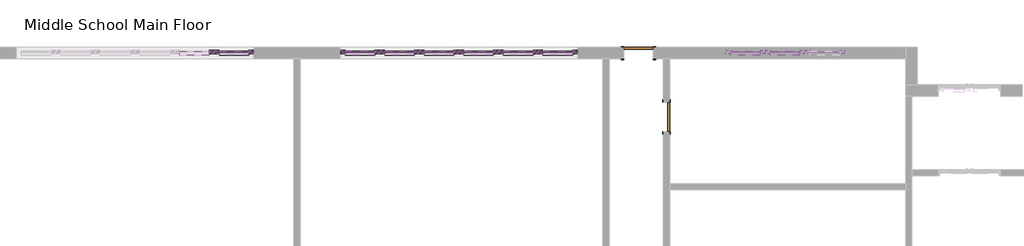
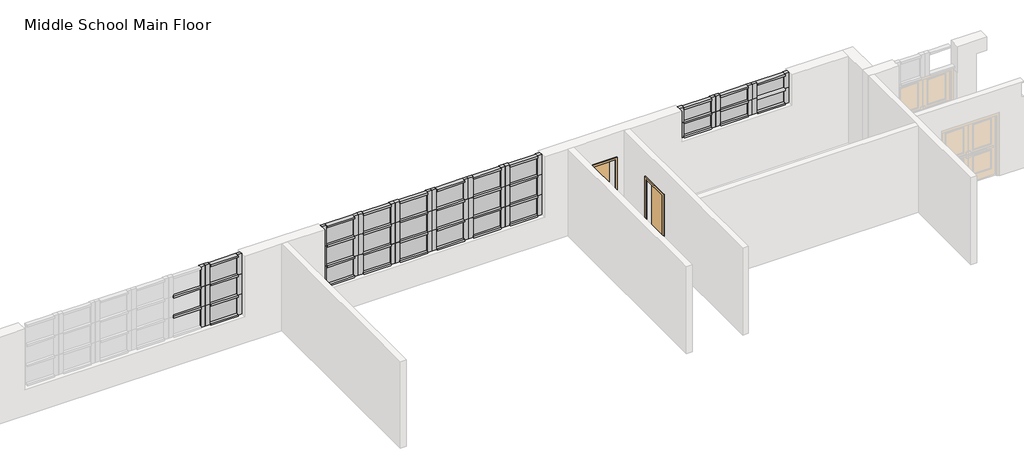
# One storey, part 9 of 16: 95 members, 27 plates, 2 doors.
"""IFC4 building model written with IfcOpenShell, lengths in millimetres."""

import ifcopenshell
import ifcopenshell.guid

model = None  # the IFC model being written
_history = None  # IfcOwnerHistory: only IFC2X3 demands one
_inside = {}  # id of a spatial element -> (the spatial element, [elements in it])
_under = {}  # id of a project, library or spatial element -> (it, [spatial elements below it])
_declared = {}  # id of a project -> (the project, [libraries it declares])
_typed = {}  # id of a type object -> (the type object, [elements of that type])
_made_of = {}  # id of a material, layer set ... -> (it, [elements and type objects made of it])


def new_model(schema):
    """Start an empty IFC model of exactly this schema.

    Asked for "IFC4X3", IfcOpenShell would pick the latest addendum, in which some entities
    have other attributes; the version numbers below select the first issue.
    IFC2X3 requires an IfcOwnerHistory on every rooted entity: one is made here for all.
    """
    global model, _history
    if schema == "IFC4X3":
        model = ifcopenshell.file(schema_version=(4, 3, 0, 0))
    else:
        model = ifcopenshell.file(schema=schema)
    _inside.clear()
    _under.clear()
    _declared.clear()
    _typed.clear()
    _made_of.clear()
    _history = None
    if model.schema == "IFC2X3":
        org = make("IfcOrganization", Name="unknown")
        user = make(
            "IfcPersonAndOrganization",
            ThePerson=make("IfcPerson", FamilyName="unknown"),
            TheOrganization=org,
        )
        app = make(
            "IfcApplication",
            ApplicationDeveloper=org,
            Version="unknown",
            ApplicationFullName="unknown",
            ApplicationIdentifier="unknown",
        )
        _history = make(
            "IfcOwnerHistory",
            OwningUser=user,
            OwningApplication=app,
            ChangeAction="ADDED",
            CreationDate=0,
        )
    return model


def make(cls, **values):
    """One entity of the class cls with the attributes given. An attribute that is None is left unset."""
    return model.create_entity(
        cls, **{name: value for name, value in values.items() if value is not None}
    )


def rooted(cls, **values):
    """An entity with a GlobalId (a new one), such as an element, a storey or a relation."""
    return make(cls, GlobalId=ifcopenshell.guid.new(), OwnerHistory=_history, **values)


def si_unit(unit_type, name, prefix=None):
    """IfcSIUnit, for example si_unit("LENGTHUNIT", "METRE", prefix="MILLI")."""
    return make("IfcSIUnit", UnitType=unit_type, Prefix=prefix, Name=name)


def assignment(units):
    """IfcUnitAssignment: the units of a project."""
    return None if units is None else make("IfcUnitAssignment", Units=units)


def point(xyz):
    """IfcCartesianPoint."""
    return None if xyz is None else make("IfcCartesianPoint", Coordinates=xyz)


def direction(xyz):
    """IfcDirection."""
    return None if xyz is None else make("IfcDirection", DirectionRatios=xyz)


def frame(location, z_axis=None, x_axis=None):
    """IfcAxis2Placement3D, a coordinate frame: its origin and axes. An axis left out is left unset."""
    return make(
        "IfcAxis2Placement3D",
        Location=point(location),
        Axis=direction(z_axis),
        RefDirection=direction(x_axis),
    )


def origin():
    """The frame at (0, 0, 0) with its axes left unset."""
    return frame((0.0, 0.0, 0.0))


def origin_with_axes():
    """The frame at (0, 0, 0) with the z axis (0, 0, 1) and the x axis (1, 0, 0) written out."""
    return frame((0.0, 0.0, 0.0), z_axis=(0.0, 0.0, 1.0), x_axis=(1.0, 0.0, 0.0))


def place(relative_to, where):
    """IfcLocalPlacement: puts the frame where relative to a parent placement (None: the world)."""
    return make(
        "IfcLocalPlacement", PlacementRelTo=relative_to, RelativePlacement=where
    )


def context(
    kind, dimensions, precision=None, world=None, true_north=None, identifier=None
):
    """IfcGeometricRepresentationContext, for example the 3D "Model" context."""
    return make(
        "IfcGeometricRepresentationContext",
        ContextIdentifier=identifier,
        ContextType=kind,
        CoordinateSpaceDimension=dimensions,
        Precision=precision,
        WorldCoordinateSystem=world,
        TrueNorth=true_north,
    )


def project(units=None, contexts=None):
    """IfcProject with its units and contexts."""
    return rooted(
        "IfcProject",
        Name="project",
        RepresentationContexts=contexts,
        UnitsInContext=assignment(units),
    )


def spatial(cls, under=None, at=None, **own):
    """A site, building, storey or space (cls), placed at a placement, below another one or the project."""
    s = rooted(cls, ObjectPlacement=at, **own)
    if under is not None:
        _under.setdefault(under.id(), (under, []))[1].append(s)
    return s


def polyline(points):
    """IfcPolyline through the points."""
    return make("IfcPolyline", Points=[point(p) for p in points])


def outline(outer, holes=None, kind="AREA"):
    """IfcArbitraryClosedProfileDef: a profile drawn as a closed curve; with holes, ...WithVoids."""
    if holes is None:
        return make("IfcArbitraryClosedProfileDef", ProfileType=kind, OuterCurve=outer)
    return make(
        "IfcArbitraryProfileDefWithVoids",
        ProfileType=kind,
        OuterCurve=outer,
        InnerCurves=holes,
    )


def extrude(swept, where, along, depth):
    """IfcExtrudedAreaSolid: the profile swept, set in the frame where, extruded along a direction by depth."""
    return make(
        "IfcExtrudedAreaSolid",
        SweptArea=swept,
        Position=where,
        ExtrudedDirection=direction(along),
        Depth=depth,
    )


def shape(context_of_items, identifier, shape_type, items):
    """IfcShapeRepresentation: the items that make up one representation, for example the "Body"."""
    return make(
        "IfcShapeRepresentation",
        ContextOfItems=context_of_items,
        RepresentationIdentifier=identifier,
        RepresentationType=shape_type,
        Items=items,
    )


def source(mapping_origin, context_of_items, identifier, shape_type, items):
    """IfcRepresentationMap: a shape defined once, which mapped items show again and again."""
    return make(
        "IfcRepresentationMap",
        MappingOrigin=mapping_origin,
        MappedRepresentation=shape(context_of_items, identifier, shape_type, items),
    )


def transform(
    local_origin,
    x_axis=None,
    y_axis=None,
    z_axis=None,
    scale=None,
    scale2=None,
    scale3=None,
    uniform=True,
):
    """IfcCartesianTransformationOperator3D, or its non-uniform kind. x_axis, y_axis, z_axis: its Axis1, 2, 3."""
    if uniform:
        return make(
            "IfcCartesianTransformationOperator3D",
            Axis1=direction(x_axis),
            Axis2=direction(y_axis),
            LocalOrigin=point(local_origin),
            Scale=scale,
            Axis3=direction(z_axis),
        )
    return make(
        "IfcCartesianTransformationOperator3DnonUniform",
        Axis1=direction(x_axis),
        Axis2=direction(y_axis),
        LocalOrigin=point(local_origin),
        Scale=scale,
        Axis3=direction(z_axis),
        Scale2=scale2,
        Scale3=scale3,
    )


def mapped(mapping_source, mapping_target):
    """IfcMappedItem: shows the shape of a source again, moved by a transform."""
    return make(
        "IfcMappedItem", MappingSource=mapping_source, MappingTarget=mapping_target
    )


def made_of(thing, what):
    """Note that an element or type object is made of a material, layer set ...; save() writes the relation."""
    if what is not None:
        _made_of.setdefault(what.id(), (what, []))[1].append(thing)
    return thing


def element(
    cls,
    number,
    at=None,
    inside=None,
    cuts=None,
    type_object=None,
    material=None,
    context=None,
    identifier="Body",
    shape_type=None,
    held_by="IfcProductDefinitionShape",
    body=None,
    shapes=None,
    **own,
):
    """One element of the class cls, such as IfcWall. Its Tag is "e" and its number.

    at: its placement. inside: the storey or other place that contains it. cuts: it is an
    opening in that element (IfcRelVoidsElement). A single representation is given by context,
    identifier, shape_type and body (its items); several are given by shapes. held_by: the class
    of the entity that holds the representations. save() writes the other relations.
    """
    e = rooted(cls, Tag="e%d" % number, ObjectPlacement=at, **own)
    if body is not None:
        shapes = [shape(context, identifier, shape_type, body)]
    if shapes is not None:
        e.Representation = make(held_by, Representations=shapes)
    if inside is not None:
        _inside.setdefault(inside.id(), (inside, []))[1].append(e)
    if cuts is not None:
        rooted(
            "IfcRelVoidsElement", RelatingBuildingElement=cuts, RelatedOpeningElement=e
        )
    if type_object is not None:
        _typed.setdefault(type_object.id(), (type_object, []))[1].append(e)
    return made_of(e, material)


def aggregate(whole, parts):
    """IfcRelAggregates: a whole, such as a stair, and the parts it consists of."""
    return rooted("IfcRelAggregates", RelatingObject=whole, RelatedObjects=parts)


def save(model, path):
    """Write the relations noted so far, then the file.

    IfcRelAggregates (storeys below a building ...), IfcRelContainedInSpatialStructure (elements
    in a storey), IfcRelDefinesByType, IfcRelAssociatesMaterial and IfcRelDeclares: one each for
    every whole, place, type object, material and project.
    """
    for whole, parts in _under.values():
        aggregate(whole, parts)
    for where, things in _inside.values():
        rooted(
            "IfcRelContainedInSpatialStructure",
            RelatedElements=things,
            RelatingStructure=where,
        )
    for kind, things in _typed.values():
        rooted("IfcRelDefinesByType", RelatedObjects=things, RelatingType=kind)
    for what, things in _made_of.values():
        rooted("IfcRelAssociatesMaterial", RelatedObjects=things, RelatingMaterial=what)
    for by, libraries in _declared.values():
        rooted("IfcRelDeclares", RelatingContext=by, RelatedDefinitions=libraries)
    model.write(path)


def door_d6d25fb4(model_context):
    return source(origin(), model_context, "Body", "SweptSolid", [
        extrude(outline(polyline([(2209.8, -533.4), (0.0, -533.4), (0.0, -457.2), (2133.6, -457.2), (2133.6, 457.2), (0.0, 457.2), (0.0, 533.4), (2209.8, 533.4), (2209.8, -533.4)])), frame((0.0, 96.8375, 0.0), z_axis=(0.0, 1.0, 0.0), x_axis=(0.0, 0.0, 1.0)), (0.0, 0.0, 1.0), 25.4),
        extrude(outline(polyline([(2209.8, 533.4), (2209.8, -533.4), (0.0, -533.4), (0.0, -457.2), (2133.6, -457.2), (2133.6, 457.2), (0.0, 457.2), (0.0, 533.4), (2209.8, 533.4)])), frame((0.0, -122.2375, 0.0), z_axis=(0.0, 1.0, 0.0), x_axis=(0.0, 0.0, 1.0)), (0.0, 0.0, 1.0), 25.4),
        extrude(outline(polyline([(457.2, 46.0375), (-457.2, 46.0375), (-457.2, 96.8375), (457.2, 96.8375), (457.2, 46.0375)])), origin_with_axes(), (0.0, 0.0, 1.0), 2133.6),
    ])


def door_632be17d(model_context):
    return source(origin(), model_context, "Body", "SweptSolid", [
        extrude(outline(polyline([(2209.8, -533.4), (0.0, -533.4), (0.0, -457.2), (2133.6, -457.2), (2133.6, 457.2), (0.0, 457.2), (0.0, 533.4), (2209.8, 533.4), (2209.8, -533.4)])), frame((0.0, 176.2125, 0.0), z_axis=(0.0, 1.0, 0.0), x_axis=(0.0, 0.0, 1.0)), (0.0, 0.0, 1.0), 25.4),
        extrude(outline(polyline([(2209.8, 533.4), (2209.8, -533.4), (0.0, -533.4), (0.0, -457.2), (2133.6, -457.2), (2133.6, 457.2), (0.0, 457.2), (0.0, 533.4), (2209.8, 533.4)])), frame((0.0, -201.6125, 0.0), z_axis=(0.0, 1.0, 0.0), x_axis=(0.0, 0.0, 1.0)), (0.0, 0.0, 1.0), 25.4),
        extrude(outline(polyline([(457.2, 125.4125), (-457.2, 125.4125), (-457.2, 176.2125), (457.2, 176.2125), (457.2, 125.4125)])), origin_with_axes(), (0.0, 0.0, 1.0), 2133.6),
    ])


def rectangular_mullion_ace0bac6(model_context):
    return source(origin(), model_context, "Body", "SweptSolid", [
        extrude(outline(polyline([(0.0, 19.05), (0.0, -82.55), (-152.4, -82.55), (-152.4, 19.05), (0.0, 19.05)])), frame((0.0, 0.0, -711.2), z_axis=(0.0, 0.0, 1.0), x_axis=(1.0, 0.0, 0.0)), (0.0, 0.0, 1.0), 711.2),
    ])


def rectangular_mullion_13affec1(model_context):
    return source(origin(), model_context, "Body", "SweptSolid", [
        extrude(outline(polyline([(0.0, 82.55), (0.0, -19.05), (-152.4, -19.05), (-152.4, 82.55), (0.0, 82.55)])), frame((0.0, 0.0, -711.2), z_axis=(0.0, 0.0, 1.0), x_axis=(1.0, 0.0, 0.0)), (0.0, 0.0, 1.0), 711.2),
    ])


def rectangular_mullion_827b4df1(model_context):
    return source(origin(), model_context, "Body", "SweptSolid", [
        extrude(outline(polyline([(0.0, 19.05), (0.0, -82.55), (-152.4, -82.55), (-152.4, 19.05), (0.0, 19.05)])), frame((0.0, 0.0, -533.4), z_axis=(0.0, 0.0, 1.0), x_axis=(1.0, 0.0, 0.0)), (0.0, 0.0, 1.0), 533.4),
    ])


def rectangular_mullion_78aceb90(model_context):
    return source(origin(), model_context, "Body", "SweptSolid", [
        extrude(outline(polyline([(0.0, 82.55), (0.0, -19.05), (-152.4, -19.05), (-152.4, 82.55), (0.0, 82.55)])), frame((0.0, 0.0, -533.4), z_axis=(0.0, 0.0, 1.0), x_axis=(1.0, 0.0, 0.0)), (0.0, 0.0, 1.0), 533.4),
    ])


def member_73c23c35(model_context):
    return source(origin(), model_context, "Body", "SweptSolid", [
        extrude(outline(polyline([(0.0, 63.5), (0.0, -63.5), (-63.5, -63.5), (-63.5, 63.5), (0.0, 63.5)])), frame((0.0, 0.0, -914.4), z_axis=(0.0, 0.0, 1.0), x_axis=(1.0, 0.0, 0.0)), (0.0, 0.0, 1.0), 914.4),
    ])


def member_410c6227(model_context):
    return source(origin(), model_context, "Body", "SweptSolid", [
        extrude(outline(polyline([(31.75, 63.5), (31.75, -63.5), (-31.75, -63.5), (-31.75, 63.5), (31.75, 63.5)])), frame((0.0, 0.0, -914.4), z_axis=(0.0, 0.0, 1.0), x_axis=(1.0, 0.0, 0.0)), (0.0, 0.0, 1.0), 914.4),
    ])


def system_panel_glazed_7d1a27c5(model_context):
    return source(origin(), model_context, "Body", "SweptSolid", [
        extrude(outline(polyline([(457.2, 19.05), (-457.2, 19.05), (-457.2, 44.45), (457.2, 44.45), (457.2, 19.05)])), origin_with_axes(), (0.0, 0.0, 1.0), 615.95),
    ])


def system_panel_glazed_84c36aa7(model_context):
    return source(origin(), model_context, "Body", "SweptSolid", [
        extrude(outline(polyline([(457.2, -44.45), (-457.2, -44.45), (-457.2, -19.05), (457.2, -19.05), (457.2, -44.45)])), origin_with_axes(), (0.0, 0.0, 1.0), 615.95),
    ])


def system_panel_glazed_f776daa4(model_context):
    return source(origin(), model_context, "Body", "SweptSolid", [
        extrude(outline(polyline([(457.2, -44.45), (-457.2, -44.45), (-457.2, -19.05), (457.2, -19.05), (457.2, -44.45)])), origin_with_axes(), (0.0, 0.0, 1.0), 647.7),
    ])


def system_panel_glazed_cf581d31(model_context):
    return source(origin(), model_context, "Body", "SweptSolid", [
        extrude(outline(polyline([(457.2, 19.05), (-457.2, 19.05), (-457.2, 44.45), (457.2, 44.45), (457.2, 19.05)])), origin_with_axes(), (0.0, 0.0, 1.0), 647.7),
    ])


def system_panel_glazed_b473f551(model_context):
    return source(origin(), model_context, "Body", "SweptSolid", [
        extrude(outline(polyline([(457.2, 19.05), (-457.2, 19.05), (-457.2, 44.45), (457.2, 44.45), (457.2, 19.05)])), origin_with_axes(), (0.0, 0.0, 1.0), 438.15),
    ])


def system_panel_glazed_c492a800(model_context):
    return source(origin(), model_context, "Body", "SweptSolid", [
        extrude(outline(polyline([(457.2, -44.45), (-457.2, -44.45), (-457.2, -19.05), (457.2, -19.05), (457.2, -44.45)])), origin_with_axes(), (0.0, 0.0, 1.0), 438.15),
    ])


model = new_model("IFC4")

# Units and contexts
model_context = context("Model", 3, world=origin())
ifc_project = project(units=[si_unit("LENGTHUNIT", "METRE", prefix="MILLI")], contexts=[model_context])

# Site, building, storey
site = spatial("IfcSite", under=ifc_project)
building = spatial("IfcBuilding", under=site)
storey = spatial("IfcBuildingStorey", under=building, Name="Middle School Main Floor", Elevation=0.0)

# Doors
placement = place(None, origin())
door_shape = door_d6d25fb4(model_context)
element("IfcDoor", 1, ObjectType="Single-Flush : 36\" x 84\" Black Door", at=placement, inside=storey, context=model_context, shape_type="MappedRepresentation", body=[
    mapped(door_shape, transform((-207819.4684329, 224623.0023246, 0.0), x_axis=(0.0, -1.0, 0.0), y_axis=(1.0, 0.0, 0.0), z_axis=(0.0, 0.0, 1.0))),
])
door_2_shape = door_632be17d(model_context)
element("IfcDoor", 2, ObjectType="Single-Flush : 36\" x 84\" Black Door", at=placement, inside=storey, context=model_context, shape_type="MappedRepresentation", body=[
    mapped(door_2_shape, transform((-208683.0684329, 226589.0081745, 0.0), x_axis=(1.0, 0.0, 0.0), y_axis=(0.0, 1.0, 0.0), z_axis=(0.0, 0.0, 1.0))),
])

# Members
rectangular_mullion_shape = rectangular_mullion_ace0bac6(model_context)
element("IfcMember", 3, ObjectType="Rectangular Mullion", at=placement, inside=storey, context=model_context, shape_type="MappedRepresentation", body=[
    mapped(rectangular_mullion_shape, transform((-221747.7898611, 226589.0081745, 914.4), x_axis=(1.0, 0.0, 0.0), y_axis=(0.0, -1.0, 0.0), z_axis=(0.0, 0.0, -1.0))),
])
element("IfcMember", 4, ObjectType="Rectangular Mullion", at=placement, inside=storey, context=model_context, shape_type="MappedRepresentation", body=[
    mapped(rectangular_mullion_shape, transform((-211775.6385045, 226589.0081745, 914.4), x_axis=(1.0, 0.0, 0.0), y_axis=(0.0, -1.0, 0.0), z_axis=(0.0, 0.0, -1.0))),
])
element("IfcMember", 5, ObjectType="Rectangular Mullion", at=placement, inside=storey, context=model_context, shape_type="MappedRepresentation", body=[
    mapped(rectangular_mullion_shape, transform((-214214.0385045, 226589.0081745, 914.4), x_axis=(1.0, 0.0, 0.0), y_axis=(0.0, -1.0, 0.0), z_axis=(0.0, 0.0, -1.0))),
])
element("IfcMember", 6, ObjectType="Rectangular Mullion", at=placement, inside=storey, context=model_context, shape_type="MappedRepresentation", body=[
    mapped(rectangular_mullion_shape, transform((-216652.4385045, 226589.0081745, 914.4), x_axis=(1.0, 0.0, 0.0), y_axis=(0.0, -1.0, 0.0), z_axis=(0.0, 0.0, -1.0))),
])
element("IfcMember", 7, ObjectType="Rectangular Mullion", at=placement, inside=storey, context=model_context, shape_type="MappedRepresentation", body=[
    mapped(rectangular_mullion_shape, transform((-212994.8385045, 226589.0081745, 3048.0), x_axis=(-1.0, 0.0, 0.0), y_axis=(0.0, -1.0, 0.0), z_axis=(0.0, 0.0, 1.0))),
])
element("IfcMember", 8, ObjectType="Rectangular Mullion", at=placement, inside=storey, context=model_context, shape_type="MappedRepresentation", body=[
    mapped(rectangular_mullion_shape, transform((-215433.2385045, 226589.0081745, 3048.0), x_axis=(-1.0, 0.0, 0.0), y_axis=(0.0, -1.0, 0.0), z_axis=(0.0, 0.0, 1.0))),
])
element("IfcMember", 9, ObjectType="Rectangular Mullion", at=placement, inside=storey, context=model_context, shape_type="MappedRepresentation", body=[
    mapped(rectangular_mullion_shape, transform((-217871.6385045, 226589.0081745, 3048.0), x_axis=(-1.0, 0.0, 0.0), y_axis=(0.0, -1.0, 0.0), z_axis=(0.0, 0.0, 1.0))),
])
rectangular_mullion_2_shape = rectangular_mullion_13affec1(model_context)
element("IfcMember", 10, ObjectType="Rectangular Mullion", at=placement, inside=storey, context=model_context, shape_type="MappedRepresentation", body=[
    mapped(rectangular_mullion_2_shape, transform((-221747.7898611, 226589.0081745, 914.4), x_axis=(-1.0, 0.0, 0.0), y_axis=(0.0, 1.0, 0.0), z_axis=(0.0, 0.0, -1.0))),
])
element("IfcMember", 11, ObjectType="Rectangular Mullion", at=placement, inside=storey, context=model_context, shape_type="MappedRepresentation", body=[
    mapped(rectangular_mullion_2_shape, transform((-211775.6385045, 226589.0081745, 914.4), x_axis=(-1.0, 0.0, 0.0), y_axis=(0.0, 1.0, 0.0), z_axis=(0.0, 0.0, -1.0))),
])
element("IfcMember", 12, ObjectType="Rectangular Mullion", at=placement, inside=storey, context=model_context, shape_type="MappedRepresentation", body=[
    mapped(rectangular_mullion_2_shape, transform((-214214.0385045, 226589.0081745, 914.4), x_axis=(-1.0, 0.0, 0.0), y_axis=(0.0, 1.0, 0.0), z_axis=(0.0, 0.0, -1.0))),
])
element("IfcMember", 13, ObjectType="Rectangular Mullion", at=placement, inside=storey, context=model_context, shape_type="MappedRepresentation", body=[
    mapped(rectangular_mullion_2_shape, transform((-216652.4385045, 226589.0081745, 914.4), x_axis=(-1.0, 0.0, 0.0), y_axis=(0.0, 1.0, 0.0), z_axis=(0.0, 0.0, -1.0))),
])
element("IfcMember", 14, ObjectType="Rectangular Mullion", at=placement, inside=storey, context=model_context, shape_type="MappedRepresentation", body=[
    mapped(rectangular_mullion_2_shape, transform((-220528.5898611, 226589.0081745, 3048.0), x_axis=(1.0, 0.0, 0.0), y_axis=(0.0, 1.0, 0.0), z_axis=(0.0, 0.0, 1.0))),
])
element("IfcMember", 15, ObjectType="Rectangular Mullion", at=placement, inside=storey, context=model_context, shape_type="MappedRepresentation", body=[
    mapped(rectangular_mullion_2_shape, transform((-210556.4385045, 226589.0081745, 3048.0), x_axis=(1.0, 0.0, 0.0), y_axis=(0.0, 1.0, 0.0), z_axis=(0.0, 0.0, 1.0))),
])
element("IfcMember", 16, ObjectType="Rectangular Mullion", at=placement, inside=storey, context=model_context, shape_type="MappedRepresentation", body=[
    mapped(rectangular_mullion_2_shape, transform((-212994.8385045, 226589.0081745, 3048.0), x_axis=(1.0, 0.0, 0.0), y_axis=(0.0, 1.0, 0.0), z_axis=(0.0, 0.0, 1.0))),
])
element("IfcMember", 17, ObjectType="Rectangular Mullion", at=placement, inside=storey, context=model_context, shape_type="MappedRepresentation", body=[
    mapped(rectangular_mullion_2_shape, transform((-215433.2385045, 226589.0081745, 3048.0), x_axis=(1.0, 0.0, 0.0), y_axis=(0.0, 1.0, 0.0), z_axis=(0.0, 0.0, 1.0))),
])
element("IfcMember", 18, ObjectType="Rectangular Mullion", at=placement, inside=storey, context=model_context, shape_type="MappedRepresentation", body=[
    mapped(rectangular_mullion_2_shape, transform((-221747.7898611, 226589.0081745, 2336.8), x_axis=(-1.0, 0.0, 0.0), y_axis=(0.0, 1.0, 0.0), z_axis=(0.0, 0.0, -1.0))),
])
element("IfcMember", 19, ObjectType="Rectangular Mullion", at=placement, inside=storey, context=model_context, shape_type="MappedRepresentation", body=[
    mapped(rectangular_mullion_2_shape, transform((-220528.5898611, 226589.0081745, 2336.8), x_axis=(1.0, 0.0, 0.0), y_axis=(0.0, 1.0, 0.0), z_axis=(0.0, 0.0, 1.0))),
])
element("IfcMember", 20, ObjectType="Rectangular Mullion", at=placement, inside=storey, context=model_context, shape_type="MappedRepresentation", body=[
    mapped(rectangular_mullion_2_shape, transform((-221747.7898611, 226589.0081745, 1625.6), x_axis=(-1.0, 0.0, 0.0), y_axis=(0.0, 1.0, 0.0), z_axis=(0.0, 0.0, -1.0))),
])
element("IfcMember", 21, ObjectType="Rectangular Mullion", at=placement, inside=storey, context=model_context, shape_type="MappedRepresentation", body=[
    mapped(rectangular_mullion_2_shape, transform((-220528.5898611, 226589.0081745, 1625.6), x_axis=(1.0, 0.0, 0.0), y_axis=(0.0, 1.0, 0.0), z_axis=(0.0, 0.0, 1.0))),
])
element("IfcMember", 22, ObjectType="Rectangular Mullion", at=placement, inside=storey, context=model_context, shape_type="MappedRepresentation", body=[
    mapped(rectangular_mullion_shape, transform((-221747.7898611, 226589.0081745, 2336.8), x_axis=(1.0, 0.0, 0.0), y_axis=(0.0, -1.0, 0.0), z_axis=(0.0, 0.0, -1.0))),
])
element("IfcMember", 23, ObjectType="Rectangular Mullion", at=placement, inside=storey, context=model_context, shape_type="MappedRepresentation", body=[
    mapped(rectangular_mullion_shape, transform((-221747.7898611, 226589.0081745, 1625.6), x_axis=(1.0, 0.0, 0.0), y_axis=(0.0, -1.0, 0.0), z_axis=(0.0, 0.0, -1.0))),
])
element("IfcMember", 24, ObjectType="Rectangular Mullion", at=placement, inside=storey, context=model_context, shape_type="MappedRepresentation", body=[
    mapped(rectangular_mullion_shape, transform((-216652.4385045, 226589.0081745, 2336.8), x_axis=(1.0, 0.0, 0.0), y_axis=(0.0, -1.0, 0.0), z_axis=(0.0, 0.0, -1.0))),
])
element("IfcMember", 25, ObjectType="Rectangular Mullion", at=placement, inside=storey, context=model_context, shape_type="MappedRepresentation", body=[
    mapped(rectangular_mullion_shape, transform((-214214.0385045, 226589.0081745, 2336.8), x_axis=(1.0, 0.0, 0.0), y_axis=(0.0, -1.0, 0.0), z_axis=(0.0, 0.0, -1.0))),
])
element("IfcMember", 26, ObjectType="Rectangular Mullion", at=placement, inside=storey, context=model_context, shape_type="MappedRepresentation", body=[
    mapped(rectangular_mullion_shape, transform((-211775.6385045, 226589.0081745, 2336.8), x_axis=(1.0, 0.0, 0.0), y_axis=(0.0, -1.0, 0.0), z_axis=(0.0, 0.0, -1.0))),
])
element("IfcMember", 27, ObjectType="Rectangular Mullion", at=placement, inside=storey, context=model_context, shape_type="MappedRepresentation", body=[
    mapped(rectangular_mullion_shape, transform((-217871.6385045, 226589.0081745, 2336.8), x_axis=(-1.0, 0.0, 0.0), y_axis=(0.0, -1.0, 0.0), z_axis=(0.0, 0.0, 1.0))),
])
element("IfcMember", 28, ObjectType="Rectangular Mullion", at=placement, inside=storey, context=model_context, shape_type="MappedRepresentation", body=[
    mapped(rectangular_mullion_shape, transform((-215433.2385045, 226589.0081745, 2336.8), x_axis=(-1.0, 0.0, 0.0), y_axis=(0.0, -1.0, 0.0), z_axis=(0.0, 0.0, 1.0))),
])
element("IfcMember", 29, ObjectType="Rectangular Mullion", at=placement, inside=storey, context=model_context, shape_type="MappedRepresentation", body=[
    mapped(rectangular_mullion_shape, transform((-212994.8385045, 226589.0081745, 2336.8), x_axis=(-1.0, 0.0, 0.0), y_axis=(0.0, -1.0, 0.0), z_axis=(0.0, 0.0, 1.0))),
])
element("IfcMember", 30, ObjectType="Rectangular Mullion", at=placement, inside=storey, context=model_context, shape_type="MappedRepresentation", body=[
    mapped(rectangular_mullion_shape, transform((-216652.4385045, 226589.0081745, 1625.6), x_axis=(1.0, 0.0, 0.0), y_axis=(0.0, -1.0, 0.0), z_axis=(0.0, 0.0, -1.0))),
])
element("IfcMember", 31, ObjectType="Rectangular Mullion", at=placement, inside=storey, context=model_context, shape_type="MappedRepresentation", body=[
    mapped(rectangular_mullion_shape, transform((-214214.0385045, 226589.0081745, 1625.6), x_axis=(1.0, 0.0, 0.0), y_axis=(0.0, -1.0, 0.0), z_axis=(0.0, 0.0, -1.0))),
])
element("IfcMember", 32, ObjectType="Rectangular Mullion", at=placement, inside=storey, context=model_context, shape_type="MappedRepresentation", body=[
    mapped(rectangular_mullion_shape, transform((-211775.6385045, 226589.0081745, 1625.6), x_axis=(1.0, 0.0, 0.0), y_axis=(0.0, -1.0, 0.0), z_axis=(0.0, 0.0, -1.0))),
])
element("IfcMember", 33, ObjectType="Rectangular Mullion", at=placement, inside=storey, context=model_context, shape_type="MappedRepresentation", body=[
    mapped(rectangular_mullion_shape, transform((-217871.6385045, 226589.0081745, 1625.6), x_axis=(-1.0, 0.0, 0.0), y_axis=(0.0, -1.0, 0.0), z_axis=(0.0, 0.0, 1.0))),
])
element("IfcMember", 34, ObjectType="Rectangular Mullion", at=placement, inside=storey, context=model_context, shape_type="MappedRepresentation", body=[
    mapped(rectangular_mullion_shape, transform((-215433.2385045, 226589.0081745, 1625.6), x_axis=(-1.0, 0.0, 0.0), y_axis=(0.0, -1.0, 0.0), z_axis=(0.0, 0.0, 1.0))),
])
element("IfcMember", 35, ObjectType="Rectangular Mullion", at=placement, inside=storey, context=model_context, shape_type="MappedRepresentation", body=[
    mapped(rectangular_mullion_shape, transform((-212994.8385045, 226589.0081745, 1625.6), x_axis=(-1.0, 0.0, 0.0), y_axis=(0.0, -1.0, 0.0), z_axis=(0.0, 0.0, 1.0))),
])
element("IfcMember", 36, ObjectType="Rectangular Mullion", at=placement, inside=storey, context=model_context, shape_type="MappedRepresentation", body=[
    mapped(rectangular_mullion_2_shape, transform((-216652.4385045, 226589.0081745, 2336.8), x_axis=(-1.0, 0.0, 0.0), y_axis=(0.0, 1.0, 0.0), z_axis=(0.0, 0.0, -1.0))),
])
element("IfcMember", 37, ObjectType="Rectangular Mullion", at=placement, inside=storey, context=model_context, shape_type="MappedRepresentation", body=[
    mapped(rectangular_mullion_2_shape, transform((-214214.0385045, 226589.0081745, 2336.8), x_axis=(-1.0, 0.0, 0.0), y_axis=(0.0, 1.0, 0.0), z_axis=(0.0, 0.0, -1.0))),
])
element("IfcMember", 38, ObjectType="Rectangular Mullion", at=placement, inside=storey, context=model_context, shape_type="MappedRepresentation", body=[
    mapped(rectangular_mullion_2_shape, transform((-211775.6385045, 226589.0081745, 2336.8), x_axis=(-1.0, 0.0, 0.0), y_axis=(0.0, 1.0, 0.0), z_axis=(0.0, 0.0, -1.0))),
])
element("IfcMember", 39, ObjectType="Rectangular Mullion", at=placement, inside=storey, context=model_context, shape_type="MappedRepresentation", body=[
    mapped(rectangular_mullion_2_shape, transform((-215433.2385045, 226589.0081745, 2336.8), x_axis=(1.0, 0.0, 0.0), y_axis=(0.0, 1.0, 0.0), z_axis=(0.0, 0.0, 1.0))),
])
element("IfcMember", 40, ObjectType="Rectangular Mullion", at=placement, inside=storey, context=model_context, shape_type="MappedRepresentation", body=[
    mapped(rectangular_mullion_2_shape, transform((-212994.8385045, 226589.0081745, 2336.8), x_axis=(1.0, 0.0, 0.0), y_axis=(0.0, 1.0, 0.0), z_axis=(0.0, 0.0, 1.0))),
])
element("IfcMember", 41, ObjectType="Rectangular Mullion", at=placement, inside=storey, context=model_context, shape_type="MappedRepresentation", body=[
    mapped(rectangular_mullion_2_shape, transform((-210556.4385045, 226589.0081745, 2336.8), x_axis=(1.0, 0.0, 0.0), y_axis=(0.0, 1.0, 0.0), z_axis=(0.0, 0.0, 1.0))),
])
element("IfcMember", 42, ObjectType="Rectangular Mullion", at=placement, inside=storey, context=model_context, shape_type="MappedRepresentation", body=[
    mapped(rectangular_mullion_2_shape, transform((-216652.4385045, 226589.0081745, 1625.6), x_axis=(-1.0, 0.0, 0.0), y_axis=(0.0, 1.0, 0.0), z_axis=(0.0, 0.0, -1.0))),
])
element("IfcMember", 43, ObjectType="Rectangular Mullion", at=placement, inside=storey, context=model_context, shape_type="MappedRepresentation", body=[
    mapped(rectangular_mullion_2_shape, transform((-214214.0385045, 226589.0081745, 1625.6), x_axis=(-1.0, 0.0, 0.0), y_axis=(0.0, 1.0, 0.0), z_axis=(0.0, 0.0, -1.0))),
])
element("IfcMember", 44, ObjectType="Rectangular Mullion", at=placement, inside=storey, context=model_context, shape_type="MappedRepresentation", body=[
    mapped(rectangular_mullion_2_shape, transform((-211775.6385045, 226589.0081745, 1625.6), x_axis=(-1.0, 0.0, 0.0), y_axis=(0.0, 1.0, 0.0), z_axis=(0.0, 0.0, -1.0))),
])
element("IfcMember", 45, ObjectType="Rectangular Mullion", at=placement, inside=storey, context=model_context, shape_type="MappedRepresentation", body=[
    mapped(rectangular_mullion_2_shape, transform((-215433.2385045, 226589.0081745, 1625.6), x_axis=(1.0, 0.0, 0.0), y_axis=(0.0, 1.0, 0.0), z_axis=(0.0, 0.0, 1.0))),
])
element("IfcMember", 46, ObjectType="Rectangular Mullion", at=placement, inside=storey, context=model_context, shape_type="MappedRepresentation", body=[
    mapped(rectangular_mullion_2_shape, transform((-212994.8385045, 226589.0081745, 1625.6), x_axis=(1.0, 0.0, 0.0), y_axis=(0.0, 1.0, 0.0), z_axis=(0.0, 0.0, 1.0))),
])
element("IfcMember", 47, ObjectType="Rectangular Mullion", at=placement, inside=storey, context=model_context, shape_type="MappedRepresentation", body=[
    mapped(rectangular_mullion_2_shape, transform((-210556.4385045, 226589.0081745, 1625.6), x_axis=(1.0, 0.0, 0.0), y_axis=(0.0, 1.0, 0.0), z_axis=(0.0, 0.0, 1.0))),
])
rectangular_mullion_3_shape = rectangular_mullion_827b4df1(model_context)
element("IfcMember", 48, ObjectType="Rectangular Mullion", at=placement, inside=storey, context=model_context, shape_type="MappedRepresentation", body=[
    mapped(rectangular_mullion_3_shape, transform((-204777.6983613, 226589.0081745, 1981.2), x_axis=(1.0, 0.0, 0.0), y_axis=(0.0, -1.0, 0.0), z_axis=(0.0, 0.0, -1.0))),
])
element("IfcMember", 49, ObjectType="Rectangular Mullion", at=placement, inside=storey, context=model_context, shape_type="MappedRepresentation", body=[
    mapped(rectangular_mullion_3_shape, transform((-202339.2983613, 226589.0081745, 1981.2), x_axis=(1.0, 0.0, 0.0), y_axis=(0.0, -1.0, 0.0), z_axis=(0.0, 0.0, -1.0))),
])
element("IfcMember", 50, ObjectType="Rectangular Mullion", at=placement, inside=storey, context=model_context, shape_type="MappedRepresentation", body=[
    mapped(rectangular_mullion_3_shape, transform((-205996.8983613, 226589.0081745, 3048.0), x_axis=(-1.0, 0.0, 0.0), y_axis=(0.0, -1.0, 0.0), z_axis=(0.0, 0.0, 1.0))),
])
element("IfcMember", 51, ObjectType="Rectangular Mullion", at=placement, inside=storey, context=model_context, shape_type="MappedRepresentation", body=[
    mapped(rectangular_mullion_3_shape, transform((-203558.4983613, 226589.0081745, 3048.0), x_axis=(-1.0, 0.0, 0.0), y_axis=(0.0, -1.0, 0.0), z_axis=(0.0, 0.0, 1.0))),
])
rectangular_mullion_4_shape = rectangular_mullion_78aceb90(model_context)
element("IfcMember", 52, ObjectType="Rectangular Mullion", at=placement, inside=storey, context=model_context, shape_type="MappedRepresentation", body=[
    mapped(rectangular_mullion_4_shape, transform((-204777.6983613, 226589.0081745, 1981.2), x_axis=(-1.0, 0.0, 0.0), y_axis=(0.0, 1.0, 0.0), z_axis=(0.0, 0.0, -1.0))),
])
element("IfcMember", 53, ObjectType="Rectangular Mullion", at=placement, inside=storey, context=model_context, shape_type="MappedRepresentation", body=[
    mapped(rectangular_mullion_4_shape, transform((-203558.4983613, 226589.0081745, 3048.0), x_axis=(1.0, 0.0, 0.0), y_axis=(0.0, 1.0, 0.0), z_axis=(0.0, 0.0, 1.0))),
])
element("IfcMember", 54, ObjectType="Rectangular Mullion", at=placement, inside=storey, context=model_context, shape_type="MappedRepresentation", body=[
    mapped(rectangular_mullion_3_shape, transform((-202339.2983613, 226589.0081745, 2514.6), x_axis=(1.0, 0.0, 0.0), y_axis=(0.0, -1.0, 0.0), z_axis=(0.0, 0.0, -1.0))),
])
element("IfcMember", 55, ObjectType="Rectangular Mullion", at=placement, inside=storey, context=model_context, shape_type="MappedRepresentation", body=[
    mapped(rectangular_mullion_3_shape, transform((-204777.6983613, 226589.0081745, 2514.6), x_axis=(1.0, 0.0, 0.0), y_axis=(0.0, -1.0, 0.0), z_axis=(0.0, 0.0, -1.0))),
])
element("IfcMember", 56, ObjectType="Rectangular Mullion", at=placement, inside=storey, context=model_context, shape_type="MappedRepresentation", body=[
    mapped(rectangular_mullion_3_shape, transform((-203558.4983613, 226589.0081745, 2514.6), x_axis=(-1.0, 0.0, 0.0), y_axis=(0.0, -1.0, 0.0), z_axis=(0.0, 0.0, 1.0))),
])
element("IfcMember", 57, ObjectType="Rectangular Mullion", at=placement, inside=storey, context=model_context, shape_type="MappedRepresentation", body=[
    mapped(rectangular_mullion_3_shape, transform((-205996.8983613, 226589.0081745, 2514.6), x_axis=(-1.0, 0.0, 0.0), y_axis=(0.0, -1.0, 0.0), z_axis=(0.0, 0.0, 1.0))),
])
element("IfcMember", 58, ObjectType="Rectangular Mullion", at=placement, inside=storey, context=model_context, shape_type="MappedRepresentation", body=[
    mapped(rectangular_mullion_4_shape, transform((-204777.6983613, 226589.0081745, 2514.6), x_axis=(-1.0, 0.0, 0.0), y_axis=(0.0, 1.0, 0.0), z_axis=(0.0, 0.0, -1.0))),
])
element("IfcMember", 59, ObjectType="Rectangular Mullion", at=placement, inside=storey, context=model_context, shape_type="MappedRepresentation", body=[
    mapped(rectangular_mullion_4_shape, transform((-203558.4983613, 226589.0081745, 2514.6), x_axis=(1.0, 0.0, 0.0), y_axis=(0.0, 1.0, 0.0), z_axis=(0.0, 0.0, 1.0))),
])
member_shape = member_73c23c35(model_context)
element("IfcMember", 60, ObjectType="Rectangular Mullion : 2.5\" x 5\" rectangular", at=placement, inside=storey, context=model_context, shape_type="MappedRepresentation", body=[
    mapped(member_shape, transform((-211928.0385045, 226589.0081745, 3048.0), x_axis=(0.0, 0.0, 1.0), y_axis=(0.0, -1.0, 0.0), z_axis=(1.0, 0.0, 0.0))),
])
element("IfcMember", 61, ObjectType="Rectangular Mullion : 2.5\" x 5\" rectangular", at=placement, inside=storey, context=model_context, shape_type="MappedRepresentation", body=[
    mapped(member_shape, transform((-214366.4385045, 226589.0081745, 3048.0), x_axis=(0.0, 0.0, 1.0), y_axis=(0.0, -1.0, 0.0), z_axis=(1.0, 0.0, 0.0))),
])
element("IfcMember", 62, ObjectType="Rectangular Mullion : 2.5\" x 5\" rectangular", at=placement, inside=storey, context=model_context, shape_type="MappedRepresentation", body=[
    mapped(member_shape, transform((-216804.8385045, 226589.0081745, 3048.0), x_axis=(0.0, 0.0, 1.0), y_axis=(0.0, -1.0, 0.0), z_axis=(1.0, 0.0, 0.0))),
])
element("IfcMember", 63, ObjectType="Rectangular Mullion : 2.5\" x 5\" rectangular", at=placement, inside=storey, context=model_context, shape_type="MappedRepresentation", body=[
    mapped(member_shape, transform((-204930.0983613, 226589.0081745, 3048.0), x_axis=(0.0, 0.0, 1.0), y_axis=(0.0, -1.0, 0.0), z_axis=(1.0, 0.0, 0.0))),
])
element("IfcMember", 64, ObjectType="Rectangular Mullion : 2.5\" x 5\" rectangular", at=placement, inside=storey, context=model_context, shape_type="MappedRepresentation", body=[
    mapped(member_shape, transform((-202491.6983613, 226589.0081745, 3048.0), x_axis=(0.0, 0.0, 1.0), y_axis=(0.0, -1.0, 0.0), z_axis=(1.0, 0.0, 0.0))),
])
element("IfcMember", 65, ObjectType="Rectangular Mullion : 2.5\" x 5\" rectangular", at=placement, inside=storey, context=model_context, shape_type="MappedRepresentation", body=[
    mapped(member_shape, transform((-212842.4385045, 226589.0081745, 914.4), x_axis=(0.0, 0.0, -1.0), y_axis=(0.0, -1.0, 0.0), z_axis=(-1.0, 0.0, 0.0))),
])
element("IfcMember", 66, ObjectType="Rectangular Mullion : 2.5\" x 5\" rectangular", at=placement, inside=storey, context=model_context, shape_type="MappedRepresentation", body=[
    mapped(member_shape, transform((-215280.8385045, 226589.0081745, 914.4), x_axis=(0.0, 0.0, -1.0), y_axis=(0.0, -1.0, 0.0), z_axis=(-1.0, 0.0, 0.0))),
])
element("IfcMember", 67, ObjectType="Rectangular Mullion : 2.5\" x 5\" rectangular", at=placement, inside=storey, context=model_context, shape_type="MappedRepresentation", body=[
    mapped(member_shape, transform((-217719.2385045, 226589.0081745, 914.4), x_axis=(0.0, 0.0, -1.0), y_axis=(0.0, -1.0, 0.0), z_axis=(-1.0, 0.0, 0.0))),
])
element("IfcMember", 68, ObjectType="Rectangular Mullion : 2.5\" x 5\" rectangular", at=placement, inside=storey, context=model_context, shape_type="MappedRepresentation", body=[
    mapped(member_shape, transform((-205844.4983613, 226589.0081745, 1981.2), x_axis=(0.0, 0.0, -1.0), y_axis=(0.0, -1.0, 0.0), z_axis=(-1.0, 0.0, 0.0))),
])
element("IfcMember", 69, ObjectType="Rectangular Mullion : 2.5\" x 5\" rectangular", at=placement, inside=storey, context=model_context, shape_type="MappedRepresentation", body=[
    mapped(member_shape, transform((-203406.0983613, 226589.0081745, 1981.2), x_axis=(0.0, 0.0, -1.0), y_axis=(0.0, -1.0, 0.0), z_axis=(-1.0, 0.0, 0.0))),
])
member_2_shape = member_410c6227(model_context)
element("IfcMember", 70, ObjectType="Rectangular Mullion : 2.5\" x 5\" rectangular", at=placement, inside=storey, context=model_context, shape_type="MappedRepresentation", body=[
    mapped(member_2_shape, transform((-221900.1898611, 226589.0081745, 2336.8), x_axis=(0.0, 0.0, 1.0), y_axis=(0.0, -1.0, 0.0), z_axis=(1.0, 0.0, 0.0))),
])
element("IfcMember", 71, ObjectType="Rectangular Mullion : 2.5\" x 5\" rectangular", at=placement, inside=storey, context=model_context, shape_type="MappedRepresentation", body=[
    mapped(member_2_shape, transform((-221900.1898611, 226589.0081745, 1625.6), x_axis=(0.0, 0.0, 1.0), y_axis=(0.0, -1.0, 0.0), z_axis=(1.0, 0.0, 0.0))),
])
element("IfcMember", 72, ObjectType="Rectangular Mullion : 2.5\" x 5\" rectangular", at=placement, inside=storey, context=model_context, shape_type="MappedRepresentation", body=[
    mapped(member_2_shape, transform((-204930.0983613, 226589.0081745, 2514.6), x_axis=(0.0, 0.0, 1.0), y_axis=(0.0, -1.0, 0.0), z_axis=(1.0, 0.0, 0.0))),
])
element("IfcMember", 73, ObjectType="Rectangular Mullion : 2.5\" x 5\" rectangular", at=placement, inside=storey, context=model_context, shape_type="MappedRepresentation", body=[
    mapped(member_shape, transform((-221595.3898611, 226589.0081745, 3048.0), x_axis=(0.0, 0.0, 1.0), y_axis=(0.0, 1.0, 0.0), z_axis=(-1.0, 0.0, 0.0))),
])
element("IfcMember", 74, ObjectType="Rectangular Mullion : 2.5\" x 5\" rectangular", at=placement, inside=storey, context=model_context, shape_type="MappedRepresentation", body=[
    mapped(member_shape, transform((-211623.2385045, 226589.0081745, 3048.0), x_axis=(0.0, 0.0, 1.0), y_axis=(0.0, 1.0, 0.0), z_axis=(-1.0, 0.0, 0.0))),
])
element("IfcMember", 75, ObjectType="Rectangular Mullion : 2.5\" x 5\" rectangular", at=placement, inside=storey, context=model_context, shape_type="MappedRepresentation", body=[
    mapped(member_shape, transform((-214061.6385045, 226589.0081745, 3048.0), x_axis=(0.0, 0.0, 1.0), y_axis=(0.0, 1.0, 0.0), z_axis=(-1.0, 0.0, 0.0))),
])
element("IfcMember", 76, ObjectType="Rectangular Mullion : 2.5\" x 5\" rectangular", at=placement, inside=storey, context=model_context, shape_type="MappedRepresentation", body=[
    mapped(member_shape, transform((-216500.0385045, 226589.0081745, 3048.0), x_axis=(0.0, 0.0, 1.0), y_axis=(0.0, 1.0, 0.0), z_axis=(-1.0, 0.0, 0.0))),
])
element("IfcMember", 77, ObjectType="Rectangular Mullion : 2.5\" x 5\" rectangular", at=placement, inside=storey, context=model_context, shape_type="MappedRepresentation", body=[
    mapped(member_shape, transform((-204625.2983613, 226589.0081745, 3048.0), x_axis=(0.0, 0.0, 1.0), y_axis=(0.0, 1.0, 0.0), z_axis=(-1.0, 0.0, 0.0))),
])
element("IfcMember", 78, ObjectType="Rectangular Mullion : 2.5\" x 5\" rectangular", at=placement, inside=storey, context=model_context, shape_type="MappedRepresentation", body=[
    mapped(member_shape, transform((-220680.9898611, 226589.0081745, 914.4), x_axis=(0.0, 0.0, -1.0), y_axis=(0.0, 1.0, 0.0), z_axis=(1.0, 0.0, 0.0))),
])
element("IfcMember", 79, ObjectType="Rectangular Mullion : 2.5\" x 5\" rectangular", at=placement, inside=storey, context=model_context, shape_type="MappedRepresentation", body=[
    mapped(member_shape, transform((-210708.8385045, 226589.0081745, 914.4), x_axis=(0.0, 0.0, -1.0), y_axis=(0.0, 1.0, 0.0), z_axis=(1.0, 0.0, 0.0))),
])
element("IfcMember", 80, ObjectType="Rectangular Mullion : 2.5\" x 5\" rectangular", at=placement, inside=storey, context=model_context, shape_type="MappedRepresentation", body=[
    mapped(member_shape, transform((-213147.2385045, 226589.0081745, 914.4), x_axis=(0.0, 0.0, -1.0), y_axis=(0.0, 1.0, 0.0), z_axis=(1.0, 0.0, 0.0))),
])
element("IfcMember", 81, ObjectType="Rectangular Mullion : 2.5\" x 5\" rectangular", at=placement, inside=storey, context=model_context, shape_type="MappedRepresentation", body=[
    mapped(member_shape, transform((-215585.6385045, 226589.0081745, 914.4), x_axis=(0.0, 0.0, -1.0), y_axis=(0.0, 1.0, 0.0), z_axis=(1.0, 0.0, 0.0))),
])
element("IfcMember", 82, ObjectType="Rectangular Mullion : 2.5\" x 5\" rectangular", at=placement, inside=storey, context=model_context, shape_type="MappedRepresentation", body=[
    mapped(member_shape, transform((-203710.8983613, 226589.0081745, 1981.2), x_axis=(0.0, 0.0, -1.0), y_axis=(0.0, 1.0, 0.0), z_axis=(1.0, 0.0, 0.0))),
])
element("IfcMember", 83, ObjectType="Rectangular Mullion : 2.5\" x 5\" rectangular", at=placement, inside=storey, context=model_context, shape_type="MappedRepresentation", body=[
    mapped(member_2_shape, transform((-221595.3898611, 226589.0081745, 2336.8), x_axis=(0.0, 0.0, 1.0), y_axis=(0.0, 1.0, 0.0), z_axis=(-1.0, 0.0, 0.0))),
])
element("IfcMember", 84, ObjectType="Rectangular Mullion : 2.5\" x 5\" rectangular", at=placement, inside=storey, context=model_context, shape_type="MappedRepresentation", body=[
    mapped(member_2_shape, transform((-221595.3898611, 226589.0081745, 1625.6), x_axis=(0.0, 0.0, 1.0), y_axis=(0.0, 1.0, 0.0), z_axis=(-1.0, 0.0, 0.0))),
])
element("IfcMember", 85, ObjectType="Rectangular Mullion : 2.5\" x 5\" rectangular", at=placement, inside=storey, context=model_context, shape_type="MappedRepresentation", body=[
    mapped(member_2_shape, transform((-204625.2983613, 226589.0081745, 2514.6), x_axis=(0.0, 0.0, 1.0), y_axis=(0.0, 1.0, 0.0), z_axis=(-1.0, 0.0, 0.0))),
])
element("IfcMember", 86, ObjectType="Rectangular Mullion : 2.5\" x 5\" rectangular", at=placement, inside=storey, context=model_context, shape_type="MappedRepresentation", body=[
    mapped(member_2_shape, transform((-216500.0385045, 226589.0081745, 2336.8), x_axis=(0.0, 0.0, 1.0), y_axis=(0.0, 1.0, 0.0), z_axis=(-1.0, 0.0, 0.0))),
])
element("IfcMember", 87, ObjectType="Rectangular Mullion : 2.5\" x 5\" rectangular", at=placement, inside=storey, context=model_context, shape_type="MappedRepresentation", body=[
    mapped(member_2_shape, transform((-216500.0385045, 226589.0081745, 1625.6), x_axis=(0.0, 0.0, 1.0), y_axis=(0.0, 1.0, 0.0), z_axis=(-1.0, 0.0, 0.0))),
])
element("IfcMember", 88, ObjectType="Rectangular Mullion : 2.5\" x 5\" rectangular", at=placement, inside=storey, context=model_context, shape_type="MappedRepresentation", body=[
    mapped(member_2_shape, transform((-214061.6385045, 226589.0081745, 2336.8), x_axis=(0.0, 0.0, 1.0), y_axis=(0.0, 1.0, 0.0), z_axis=(-1.0, 0.0, 0.0))),
])
element("IfcMember", 89, ObjectType="Rectangular Mullion : 2.5\" x 5\" rectangular", at=placement, inside=storey, context=model_context, shape_type="MappedRepresentation", body=[
    mapped(member_2_shape, transform((-214061.6385045, 226589.0081745, 1625.6), x_axis=(0.0, 0.0, 1.0), y_axis=(0.0, 1.0, 0.0), z_axis=(-1.0, 0.0, 0.0))),
])
element("IfcMember", 90, ObjectType="Rectangular Mullion : 2.5\" x 5\" rectangular", at=placement, inside=storey, context=model_context, shape_type="MappedRepresentation", body=[
    mapped(member_2_shape, transform((-211623.2385045, 226589.0081745, 1625.6), x_axis=(0.0, 0.0, 1.0), y_axis=(0.0, 1.0, 0.0), z_axis=(-1.0, 0.0, 0.0))),
])
element("IfcMember", 91, ObjectType="Rectangular Mullion : 2.5\" x 5\" rectangular", at=placement, inside=storey, context=model_context, shape_type="MappedRepresentation", body=[
    mapped(member_2_shape, transform((-211623.2385045, 226589.0081745, 2336.8), x_axis=(0.0, 0.0, 1.0), y_axis=(0.0, 1.0, 0.0), z_axis=(-1.0, 0.0, 0.0))),
])
element("IfcMember", 92, ObjectType="Rectangular Mullion : 2.5\" x 5\" rectangular", at=placement, inside=storey, context=model_context, shape_type="MappedRepresentation", body=[
    mapped(member_2_shape, transform((-216804.8385045, 226589.0081745, 2336.8), x_axis=(0.0, 0.0, 1.0), y_axis=(0.0, -1.0, 0.0), z_axis=(1.0, 0.0, 0.0))),
])
element("IfcMember", 93, ObjectType="Rectangular Mullion : 2.5\" x 5\" rectangular", at=placement, inside=storey, context=model_context, shape_type="MappedRepresentation", body=[
    mapped(member_2_shape, transform((-216804.8385045, 226589.0081745, 1625.6), x_axis=(0.0, 0.0, 1.0), y_axis=(0.0, -1.0, 0.0), z_axis=(1.0, 0.0, 0.0))),
])
element("IfcMember", 94, ObjectType="Rectangular Mullion : 2.5\" x 5\" rectangular", at=placement, inside=storey, context=model_context, shape_type="MappedRepresentation", body=[
    mapped(member_2_shape, transform((-214366.4385045, 226589.0081745, 1625.6), x_axis=(0.0, 0.0, 1.0), y_axis=(0.0, -1.0, 0.0), z_axis=(1.0, 0.0, 0.0))),
])
element("IfcMember", 95, ObjectType="Rectangular Mullion : 2.5\" x 5\" rectangular", at=placement, inside=storey, context=model_context, shape_type="MappedRepresentation", body=[
    mapped(member_2_shape, transform((-214366.4385045, 226589.0081745, 2336.8), x_axis=(0.0, 0.0, 1.0), y_axis=(0.0, -1.0, 0.0), z_axis=(1.0, 0.0, 0.0))),
])
element("IfcMember", 96, ObjectType="Rectangular Mullion : 2.5\" x 5\" rectangular", at=placement, inside=storey, context=model_context, shape_type="MappedRepresentation", body=[
    mapped(member_2_shape, transform((-211928.0385045, 226589.0081745, 2336.8), x_axis=(0.0, 0.0, 1.0), y_axis=(0.0, -1.0, 0.0), z_axis=(1.0, 0.0, 0.0))),
])
element("IfcMember", 97, ObjectType="Rectangular Mullion : 2.5\" x 5\" rectangular", at=placement, inside=storey, context=model_context, shape_type="MappedRepresentation", body=[
    mapped(member_2_shape, transform((-211928.0385045, 226589.0081745, 1625.6), x_axis=(0.0, 0.0, 1.0), y_axis=(0.0, -1.0, 0.0), z_axis=(1.0, 0.0, 0.0))),
])

# Plates
system_panel_glazed_shape = system_panel_glazed_7d1a27c5(model_context)
element("IfcPlate", 98, ObjectType="System Panel : Glazed", at=placement, inside=storey, context=model_context, shape_type="MappedRepresentation", body=[
    mapped(system_panel_glazed_shape, transform((-212385.2385045, 226589.0081745, 977.9), x_axis=(1.0, 0.0, 0.0), y_axis=(0.0, 1.0, 0.0), z_axis=(0.0, 0.0, 1.0))),
])
element("IfcPlate", 99, ObjectType="System Panel : Glazed", at=placement, inside=storey, context=model_context, shape_type="MappedRepresentation", body=[
    mapped(system_panel_glazed_shape, transform((-214823.6385045, 226589.0081745, 977.9), x_axis=(1.0, 0.0, 0.0), y_axis=(0.0, 1.0, 0.0), z_axis=(0.0, 0.0, 1.0))),
])
element("IfcPlate", 100, ObjectType="System Panel : Glazed", at=placement, inside=storey, context=model_context, shape_type="MappedRepresentation", body=[
    mapped(system_panel_glazed_shape, transform((-217262.0385045, 226589.0081745, 977.9), x_axis=(1.0, 0.0, 0.0), y_axis=(0.0, 1.0, 0.0), z_axis=(0.0, 0.0, 1.0))),
])
element("IfcPlate", 101, ObjectType="System Panel : Glazed", at=placement, inside=storey, context=model_context, shape_type="MappedRepresentation", body=[
    mapped(system_panel_glazed_shape, transform((-217262.0385045, 226589.0081745, 2368.55), x_axis=(1.0, 0.0, 0.0), y_axis=(0.0, 1.0, 0.0), z_axis=(0.0, 0.0, 1.0))),
])
element("IfcPlate", 102, ObjectType="System Panel : Glazed", at=placement, inside=storey, context=model_context, shape_type="MappedRepresentation", body=[
    mapped(system_panel_glazed_shape, transform((-214823.6385045, 226589.0081745, 2368.55), x_axis=(1.0, 0.0, 0.0), y_axis=(0.0, 1.0, 0.0), z_axis=(0.0, 0.0, 1.0))),
])
element("IfcPlate", 103, ObjectType="System Panel : Glazed", at=placement, inside=storey, context=model_context, shape_type="MappedRepresentation", body=[
    mapped(system_panel_glazed_shape, transform((-212385.2385045, 226589.0081745, 2368.55), x_axis=(1.0, 0.0, 0.0), y_axis=(0.0, 1.0, 0.0), z_axis=(0.0, 0.0, 1.0))),
])
system_panel_glazed_2_shape = system_panel_glazed_84c36aa7(model_context)
element("IfcPlate", 104, ObjectType="System Panel : Glazed", at=placement, inside=storey, context=model_context, shape_type="MappedRepresentation", body=[
    mapped(system_panel_glazed_2_shape, transform((-221138.1898611, 226589.0081745, 977.9), x_axis=(-1.0, 0.0, 0.0), y_axis=(0.0, -1.0, 0.0), z_axis=(0.0, 0.0, 1.0))),
])
element("IfcPlate", 105, ObjectType="System Panel : Glazed", at=placement, inside=storey, context=model_context, shape_type="MappedRepresentation", body=[
    mapped(system_panel_glazed_2_shape, transform((-221138.1898611, 226589.0081745, 2368.55), x_axis=(-1.0, 0.0, 0.0), y_axis=(0.0, -1.0, 0.0), z_axis=(0.0, 0.0, 1.0))),
])
element("IfcPlate", 106, ObjectType="System Panel : Glazed", at=placement, inside=storey, context=model_context, shape_type="MappedRepresentation", body=[
    mapped(system_panel_glazed_2_shape, transform((-211166.0385045, 226589.0081745, 977.9), x_axis=(-1.0, 0.0, 0.0), y_axis=(0.0, -1.0, 0.0), z_axis=(0.0, 0.0, 1.0))),
])
element("IfcPlate", 107, ObjectType="System Panel : Glazed", at=placement, inside=storey, context=model_context, shape_type="MappedRepresentation", body=[
    mapped(system_panel_glazed_2_shape, transform((-213604.4385045, 226589.0081745, 977.9), x_axis=(-1.0, 0.0, 0.0), y_axis=(0.0, -1.0, 0.0), z_axis=(0.0, 0.0, 1.0))),
])
element("IfcPlate", 108, ObjectType="System Panel : Glazed", at=placement, inside=storey, context=model_context, shape_type="MappedRepresentation", body=[
    mapped(system_panel_glazed_2_shape, transform((-216042.8385045, 226589.0081745, 977.9), x_axis=(-1.0, 0.0, 0.0), y_axis=(0.0, -1.0, 0.0), z_axis=(0.0, 0.0, 1.0))),
])
element("IfcPlate", 109, ObjectType="System Panel : Glazed", at=placement, inside=storey, context=model_context, shape_type="MappedRepresentation", body=[
    mapped(system_panel_glazed_2_shape, transform((-216042.8385045, 226589.0081745, 2368.55), x_axis=(-1.0, 0.0, 0.0), y_axis=(0.0, -1.0, 0.0), z_axis=(0.0, 0.0, 1.0))),
])
element("IfcPlate", 110, ObjectType="System Panel : Glazed", at=placement, inside=storey, context=model_context, shape_type="MappedRepresentation", body=[
    mapped(system_panel_glazed_2_shape, transform((-213604.4385045, 226589.0081745, 2368.55), x_axis=(-1.0, 0.0, 0.0), y_axis=(0.0, -1.0, 0.0), z_axis=(0.0, 0.0, 1.0))),
])
element("IfcPlate", 111, ObjectType="System Panel : Glazed", at=placement, inside=storey, context=model_context, shape_type="MappedRepresentation", body=[
    mapped(system_panel_glazed_2_shape, transform((-211166.0385045, 226589.0081745, 2368.55), x_axis=(-1.0, 0.0, 0.0), y_axis=(0.0, -1.0, 0.0), z_axis=(0.0, 0.0, 1.0))),
])
system_panel_glazed_3_shape = system_panel_glazed_f776daa4(model_context)
element("IfcPlate", 112, ObjectType="System Panel : Glazed", at=placement, inside=storey, context=model_context, shape_type="MappedRepresentation", body=[
    mapped(system_panel_glazed_3_shape, transform((-221138.1898611, 226589.0081745, 1657.35), x_axis=(-1.0, 0.0, 0.0), y_axis=(0.0, -1.0, 0.0), z_axis=(0.0, 0.0, 1.0))),
])
element("IfcPlate", 113, ObjectType="System Panel : Glazed", at=placement, inside=storey, context=model_context, shape_type="MappedRepresentation", body=[
    mapped(system_panel_glazed_3_shape, transform((-216042.8385045, 226589.0081745, 1657.35), x_axis=(-1.0, 0.0, 0.0), y_axis=(0.0, -1.0, 0.0), z_axis=(0.0, 0.0, 1.0))),
])
element("IfcPlate", 114, ObjectType="System Panel : Glazed", at=placement, inside=storey, context=model_context, shape_type="MappedRepresentation", body=[
    mapped(system_panel_glazed_3_shape, transform((-213604.4385045, 226589.0081745, 1657.35), x_axis=(-1.0, 0.0, 0.0), y_axis=(0.0, -1.0, 0.0), z_axis=(0.0, 0.0, 1.0))),
])
element("IfcPlate", 115, ObjectType="System Panel : Glazed", at=placement, inside=storey, context=model_context, shape_type="MappedRepresentation", body=[
    mapped(system_panel_glazed_3_shape, transform((-211166.0385045, 226589.0081745, 1657.35), x_axis=(-1.0, 0.0, 0.0), y_axis=(0.0, -1.0, 0.0), z_axis=(0.0, 0.0, 1.0))),
])
system_panel_glazed_4_shape = system_panel_glazed_cf581d31(model_context)
element("IfcPlate", 116, ObjectType="System Panel : Glazed", at=placement, inside=storey, context=model_context, shape_type="MappedRepresentation", body=[
    mapped(system_panel_glazed_4_shape, transform((-217262.0385045, 226589.0081745, 1657.35), x_axis=(1.0, 0.0, 0.0), y_axis=(0.0, 1.0, 0.0), z_axis=(0.0, 0.0, 1.0))),
])
element("IfcPlate", 117, ObjectType="System Panel : Glazed", at=placement, inside=storey, context=model_context, shape_type="MappedRepresentation", body=[
    mapped(system_panel_glazed_4_shape, transform((-214823.6385045, 226589.0081745, 1657.35), x_axis=(1.0, 0.0, 0.0), y_axis=(0.0, 1.0, 0.0), z_axis=(0.0, 0.0, 1.0))),
])
element("IfcPlate", 118, ObjectType="System Panel : Glazed", at=placement, inside=storey, context=model_context, shape_type="MappedRepresentation", body=[
    mapped(system_panel_glazed_4_shape, transform((-212385.2385045, 226589.0081745, 1657.35), x_axis=(1.0, 0.0, 0.0), y_axis=(0.0, 1.0, 0.0), z_axis=(0.0, 0.0, 1.0))),
])
system_panel_glazed_5_shape = system_panel_glazed_b473f551(model_context)
element("IfcPlate", 119, ObjectType="System Panel : Glazed", at=placement, inside=storey, context=model_context, shape_type="MappedRepresentation", body=[
    mapped(system_panel_glazed_5_shape, transform((-205387.2983613, 226589.0081745, 2044.7), x_axis=(1.0, 0.0, 0.0), y_axis=(0.0, 1.0, 0.0), z_axis=(0.0, 0.0, 1.0))),
])
element("IfcPlate", 120, ObjectType="System Panel : Glazed", at=placement, inside=storey, context=model_context, shape_type="MappedRepresentation", body=[
    mapped(system_panel_glazed_5_shape, transform((-202948.8983613, 226589.0081745, 2044.7), x_axis=(1.0, 0.0, 0.0), y_axis=(0.0, 1.0, 0.0), z_axis=(0.0, 0.0, 1.0))),
])
element("IfcPlate", 121, ObjectType="System Panel : Glazed", at=placement, inside=storey, context=model_context, shape_type="MappedRepresentation", body=[
    mapped(system_panel_glazed_5_shape, transform((-202948.8983613, 226589.0081745, 2546.35), x_axis=(1.0, 0.0, 0.0), y_axis=(0.0, 1.0, 0.0), z_axis=(0.0, 0.0, 1.0))),
])
element("IfcPlate", 122, ObjectType="System Panel : Glazed", at=placement, inside=storey, context=model_context, shape_type="MappedRepresentation", body=[
    mapped(system_panel_glazed_5_shape, transform((-205387.2983613, 226589.0081745, 2546.35), x_axis=(1.0, 0.0, 0.0), y_axis=(0.0, 1.0, 0.0), z_axis=(0.0, 0.0, 1.0))),
])
system_panel_glazed_6_shape = system_panel_glazed_c492a800(model_context)
element("IfcPlate", 123, ObjectType="System Panel : Glazed", at=placement, inside=storey, context=model_context, shape_type="MappedRepresentation", body=[
    mapped(system_panel_glazed_6_shape, transform((-204168.0983613, 226589.0081745, 2044.7), x_axis=(-1.0, 0.0, 0.0), y_axis=(0.0, -1.0, 0.0), z_axis=(0.0, 0.0, 1.0))),
])
element("IfcPlate", 124, ObjectType="System Panel : Glazed", at=placement, inside=storey, context=model_context, shape_type="MappedRepresentation", body=[
    mapped(system_panel_glazed_6_shape, transform((-204168.0983613, 226589.0081745, 2546.35), x_axis=(-1.0, 0.0, 0.0), y_axis=(0.0, -1.0, 0.0), z_axis=(0.0, 0.0, 1.0))),
])

save(model, "model.ifc")
